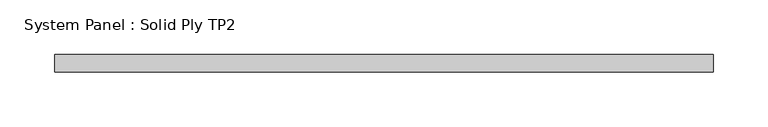
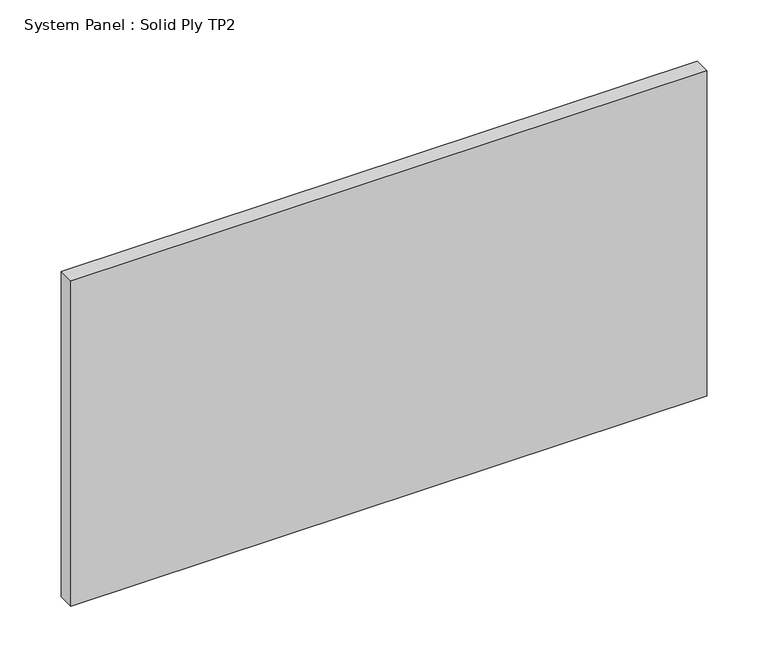
"""IFC4 building model written with IfcOpenShell, lengths in millimetres: plate geometry, System Panel : Solid Ply TP2."""

import ifcopenshell
import ifcopenshell.guid

model = None  # the IFC model being written
_history = None  # IfcOwnerHistory: only IFC2X3 demands one
_inside = {}  # id of a spatial element -> (the spatial element, [elements in it])
_under = {}  # id of a project, library or spatial element -> (it, [spatial elements below it])
_declared = {}  # id of a project -> (the project, [libraries it declares])
_typed = {}  # id of a type object -> (the type object, [elements of that type])
_made_of = {}  # id of a material, layer set ... -> (it, [elements and type objects made of it])


def new_model(schema):
    """Start an empty IFC model of exactly this schema.

    Asked for "IFC4X3", IfcOpenShell would pick the latest addendum, in which some entities
    have other attributes; the version numbers below select the first issue.
    IFC2X3 requires an IfcOwnerHistory on every rooted entity: one is made here for all.
    """
    global model, _history
    if schema == "IFC4X3":
        model = ifcopenshell.file(schema_version=(4, 3, 0, 0))
    else:
        model = ifcopenshell.file(schema=schema)
    _inside.clear()
    _under.clear()
    _declared.clear()
    _typed.clear()
    _made_of.clear()
    _history = None
    if model.schema == "IFC2X3":
        org = make("IfcOrganization", Name="unknown")
        user = make(
            "IfcPersonAndOrganization",
            ThePerson=make("IfcPerson", FamilyName="unknown"),
            TheOrganization=org,
        )
        app = make(
            "IfcApplication",
            ApplicationDeveloper=org,
            Version="unknown",
            ApplicationFullName="unknown",
            ApplicationIdentifier="unknown",
        )
        _history = make(
            "IfcOwnerHistory",
            OwningUser=user,
            OwningApplication=app,
            ChangeAction="ADDED",
            CreationDate=0,
        )
    return model


def make(cls, **values):
    """One entity of the class cls with the attributes given. An attribute that is None is left unset."""
    return model.create_entity(
        cls, **{name: value for name, value in values.items() if value is not None}
    )


def rooted(cls, **values):
    """An entity with a GlobalId (a new one), such as an element, a storey or a relation."""
    return make(cls, GlobalId=ifcopenshell.guid.new(), OwnerHistory=_history, **values)


def si_unit(unit_type, name, prefix=None):
    """IfcSIUnit, for example si_unit("LENGTHUNIT", "METRE", prefix="MILLI")."""
    return make("IfcSIUnit", UnitType=unit_type, Prefix=prefix, Name=name)


def assignment(units):
    """IfcUnitAssignment: the units of a project."""
    return None if units is None else make("IfcUnitAssignment", Units=units)


def point(xyz):
    """IfcCartesianPoint."""
    return None if xyz is None else make("IfcCartesianPoint", Coordinates=xyz)


def direction(xyz):
    """IfcDirection."""
    return None if xyz is None else make("IfcDirection", DirectionRatios=xyz)


def frame(location, z_axis=None, x_axis=None):
    """IfcAxis2Placement3D, a coordinate frame: its origin and axes. An axis left out is left unset."""
    return make(
        "IfcAxis2Placement3D",
        Location=point(location),
        Axis=direction(z_axis),
        RefDirection=direction(x_axis),
    )


def origin():
    """The frame at (0, 0, 0) with its axes left unset."""
    return frame((0.0, 0.0, 0.0))


def origin_with_axes():
    """The frame at (0, 0, 0) with the z axis (0, 0, 1) and the x axis (1, 0, 0) written out."""
    return frame((0.0, 0.0, 0.0), z_axis=(0.0, 0.0, 1.0), x_axis=(1.0, 0.0, 0.0))


def place(relative_to, where):
    """IfcLocalPlacement: puts the frame where relative to a parent placement (None: the world)."""
    return make(
        "IfcLocalPlacement", PlacementRelTo=relative_to, RelativePlacement=where
    )


def context(
    kind, dimensions, precision=None, world=None, true_north=None, identifier=None
):
    """IfcGeometricRepresentationContext, for example the 3D "Model" context."""
    return make(
        "IfcGeometricRepresentationContext",
        ContextIdentifier=identifier,
        ContextType=kind,
        CoordinateSpaceDimension=dimensions,
        Precision=precision,
        WorldCoordinateSystem=world,
        TrueNorth=true_north,
    )


def project(units=None, contexts=None):
    """IfcProject with its units and contexts."""
    return rooted(
        "IfcProject",
        Name="project",
        RepresentationContexts=contexts,
        UnitsInContext=assignment(units),
    )


def spatial(cls, under=None, at=None, **own):
    """A site, building, storey or space (cls), placed at a placement, below another one or the project."""
    s = rooted(cls, ObjectPlacement=at, **own)
    if under is not None:
        _under.setdefault(under.id(), (under, []))[1].append(s)
    return s


def polyline(points):
    """IfcPolyline through the points."""
    return make("IfcPolyline", Points=[point(p) for p in points])


def outline(outer, holes=None, kind="AREA"):
    """IfcArbitraryClosedProfileDef: a profile drawn as a closed curve; with holes, ...WithVoids."""
    if holes is None:
        return make("IfcArbitraryClosedProfileDef", ProfileType=kind, OuterCurve=outer)
    return make(
        "IfcArbitraryProfileDefWithVoids",
        ProfileType=kind,
        OuterCurve=outer,
        InnerCurves=holes,
    )


def extrude(swept, where, along, depth):
    """IfcExtrudedAreaSolid: the profile swept, set in the frame where, extruded along a direction by depth."""
    return make(
        "IfcExtrudedAreaSolid",
        SweptArea=swept,
        Position=where,
        ExtrudedDirection=direction(along),
        Depth=depth,
    )


def shape(context_of_items, identifier, shape_type, items):
    """IfcShapeRepresentation: the items that make up one representation, for example the "Body"."""
    return make(
        "IfcShapeRepresentation",
        ContextOfItems=context_of_items,
        RepresentationIdentifier=identifier,
        RepresentationType=shape_type,
        Items=items,
    )


def source(mapping_origin, context_of_items, identifier, shape_type, items):
    """IfcRepresentationMap: a shape defined once, which mapped items show again and again."""
    return make(
        "IfcRepresentationMap",
        MappingOrigin=mapping_origin,
        MappedRepresentation=shape(context_of_items, identifier, shape_type, items),
    )


def transform(
    local_origin,
    x_axis=None,
    y_axis=None,
    z_axis=None,
    scale=None,
    scale2=None,
    scale3=None,
    uniform=True,
):
    """IfcCartesianTransformationOperator3D, or its non-uniform kind. x_axis, y_axis, z_axis: its Axis1, 2, 3."""
    if uniform:
        return make(
            "IfcCartesianTransformationOperator3D",
            Axis1=direction(x_axis),
            Axis2=direction(y_axis),
            LocalOrigin=point(local_origin),
            Scale=scale,
            Axis3=direction(z_axis),
        )
    return make(
        "IfcCartesianTransformationOperator3DnonUniform",
        Axis1=direction(x_axis),
        Axis2=direction(y_axis),
        LocalOrigin=point(local_origin),
        Scale=scale,
        Axis3=direction(z_axis),
        Scale2=scale2,
        Scale3=scale3,
    )


def mapped(mapping_source, mapping_target):
    """IfcMappedItem: shows the shape of a source again, moved by a transform."""
    return make(
        "IfcMappedItem", MappingSource=mapping_source, MappingTarget=mapping_target
    )


def made_of(thing, what):
    """Note that an element or type object is made of a material, layer set ...; save() writes the relation."""
    if what is not None:
        _made_of.setdefault(what.id(), (what, []))[1].append(thing)
    return thing


def element(
    cls,
    number,
    at=None,
    inside=None,
    cuts=None,
    type_object=None,
    material=None,
    context=None,
    identifier="Body",
    shape_type=None,
    held_by="IfcProductDefinitionShape",
    body=None,
    shapes=None,
    **own,
):
    """One element of the class cls, such as IfcWall. Its Tag is "e" and its number.

    at: its placement. inside: the storey or other place that contains it. cuts: it is an
    opening in that element (IfcRelVoidsElement). A single representation is given by context,
    identifier, shape_type and body (its items); several are given by shapes. held_by: the class
    of the entity that holds the representations. save() writes the other relations.
    """
    e = rooted(cls, Tag="e%d" % number, ObjectPlacement=at, **own)
    if body is not None:
        shapes = [shape(context, identifier, shape_type, body)]
    if shapes is not None:
        e.Representation = make(held_by, Representations=shapes)
    if inside is not None:
        _inside.setdefault(inside.id(), (inside, []))[1].append(e)
    if cuts is not None:
        rooted(
            "IfcRelVoidsElement", RelatingBuildingElement=cuts, RelatedOpeningElement=e
        )
    if type_object is not None:
        _typed.setdefault(type_object.id(), (type_object, []))[1].append(e)
    return made_of(e, material)


def aggregate(whole, parts):
    """IfcRelAggregates: a whole, such as a stair, and the parts it consists of."""
    return rooted("IfcRelAggregates", RelatingObject=whole, RelatedObjects=parts)


def save(model, path):
    """Write the relations noted so far, then the file.

    IfcRelAggregates (storeys below a building ...), IfcRelContainedInSpatialStructure (elements
    in a storey), IfcRelDefinesByType, IfcRelAssociatesMaterial and IfcRelDeclares: one each for
    every whole, place, type object, material and project.
    """
    for whole, parts in _under.values():
        aggregate(whole, parts)
    for where, things in _inside.values():
        rooted(
            "IfcRelContainedInSpatialStructure",
            RelatedElements=things,
            RelatingStructure=where,
        )
    for kind, things in _typed.values():
        rooted("IfcRelDefinesByType", RelatedObjects=things, RelatingType=kind)
    for what, things in _made_of.values():
        rooted("IfcRelAssociatesMaterial", RelatedObjects=things, RelatingMaterial=what)
    for by, libraries in _declared.values():
        rooted("IfcRelDeclares", RelatingContext=by, RelatedDefinitions=libraries)
    model.write(path)


def system_panel_solid_ply_tp2_cc30ea37(model_context):
    return source(origin(), model_context, "Body", "SweptSolid", [
        extrude(outline(polyline([(300.0, -23.0), (-300.0, -23.0), (-300.0, -7.0), (300.0, -7.0), (300.0, -23.0)])), origin_with_axes(), (0.0, 0.0, 1.0), 324.7360307),
    ])


if __name__ == "__main__":
    model = new_model("IFC4")
    model_context = context("Model", 3, world=origin())
    ifc_project = project(units=[si_unit("LENGTHUNIT", "METRE", prefix="MILLI")], contexts=[model_context])
    site = spatial("IfcSite", under=ifc_project)
    building = spatial("IfcBuilding", under=site)
    placement = place(None, origin())
    system_panel_solid_ply_tp2_shape = system_panel_solid_ply_tp2_cc30ea37(model_context)
    element("IfcPlate", 1, ObjectType="System Panel : Solid Ply TP2", at=placement, inside=building, context=model_context, shape_type="MappedRepresentation", body=[
        mapped(system_panel_solid_ply_tp2_shape, transform((0.0, 0.0, 0.0), x_axis=(1.0, 0.0, 0.0), y_axis=(0.0, 1.0, 0.0), z_axis=(0.0, 0.0, 1.0))),
    ])
    save(model, "model.ifc")
